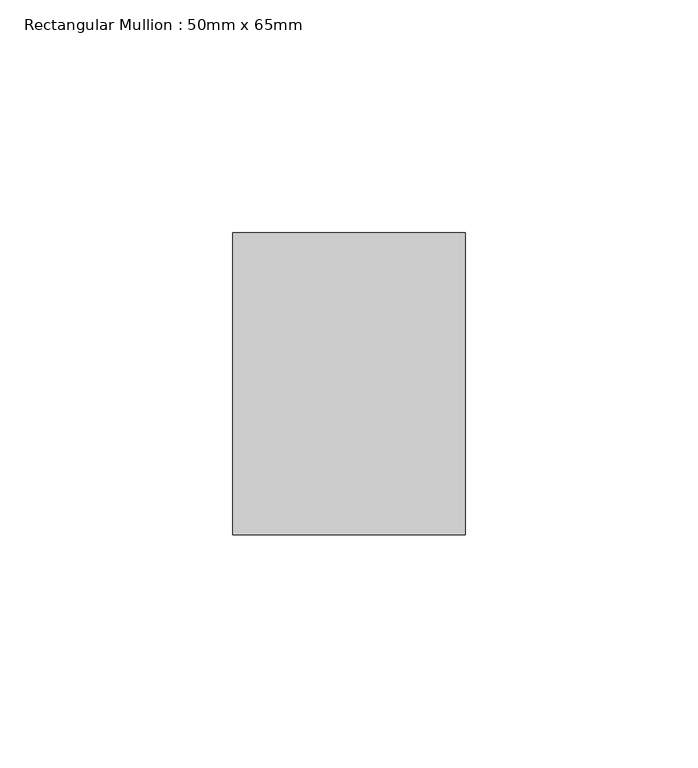
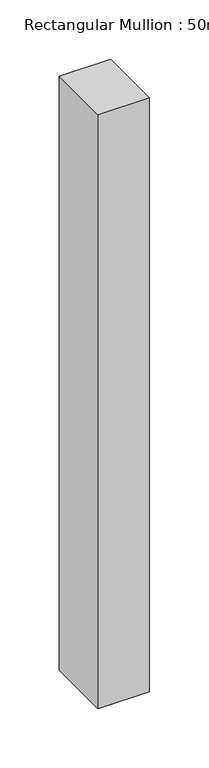
"""IFC4 building model written with IfcOpenShell, lengths in millimetres: member geometry, Rectangular Mullion : 50mm x 65mm."""

from ifc_helpers import new_model, si_unit, frame, origin, place, context, project, spatial, polyline, outline, extrude, source, transform, mapped, element, save


def rectangular_mullion_50mm_x_65mm_78c595f3(model_context):
    return source(origin(), model_context, "Body", "SweptSolid", [
        extrude(outline(polyline([(25.0, 32.5), (25.0, -32.5), (-25.0, -32.5), (-25.0, 32.5), (25.0, 32.5)])), frame((0.0, 0.0, -610.7645168), z_axis=(0.0, 0.0, 1.0), x_axis=(1.0, 0.0, 0.0)), (0.0, 0.0, 1.0), 610.7645168),
    ])


if __name__ == "__main__":
    model = new_model("IFC4")
    model_context = context("Model", 3, world=origin())
    ifc_project = project(units=[si_unit("LENGTHUNIT", "METRE", prefix="MILLI")], contexts=[model_context])
    site = spatial("IfcSite", under=ifc_project)
    building = spatial("IfcBuilding", under=site)
    placement = place(None, origin())
    rectangular_mullion_50mm_x_65mm_shape = rectangular_mullion_50mm_x_65mm_78c595f3(model_context)
    element("IfcMember", 1, ObjectType="Rectangular Mullion : 50mm x 65mm", at=placement, inside=building, context=model_context, shape_type="MappedRepresentation", body=[
        mapped(rectangular_mullion_50mm_x_65mm_shape, transform((0.0, 0.0, 0.0), x_axis=(1.0, 0.0, 0.0), y_axis=(0.0, 1.0, 0.0), z_axis=(0.0, 0.0, 1.0))),
    ])
    save(model, "model.ifc")
